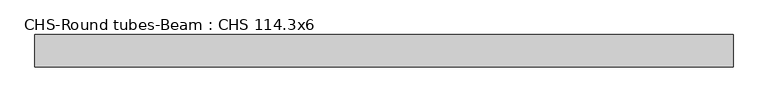
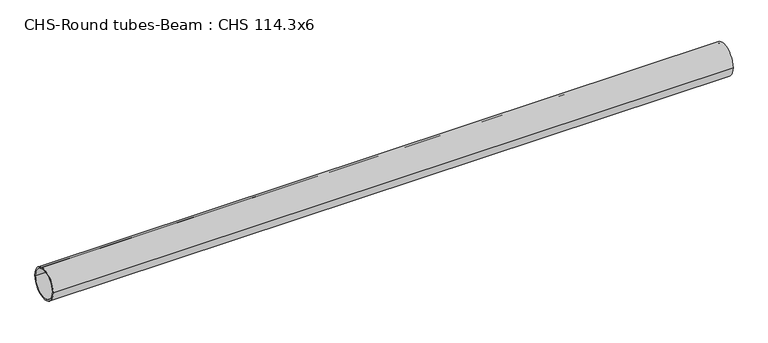
"""IFC4 building model written with IfcOpenShell, lengths in millimetres: beam geometry, CHS-Round tubes-Beam : CHS 114.3x6."""

from ifc_helpers import new_model, si_unit, point, frame, origin, origin_2d, place, context, project, spatial, circle_curve, trimmed, segment, composite_curve, outline, extrude, source, transform, mapped, element, save


def chs_round_tubes_beam_chs_114_3x6_a9621f5e(model_context):
    return source(origin(), model_context, "Body", "SweptSolid", [
        extrude(outline(composite_curve([segment(trimmed(circle_curve(origin_2d(), 57.15), [point((57.15, 0.0))], [point((-57.15, 0.0))], False, "CARTESIAN"), True, "CONTINUOUS"), segment(trimmed(circle_curve(origin_2d(), 57.15), [point((-57.15, 0.0))], [point((57.15, 0.0))], False, "CARTESIAN"), True, "CONTINUOUS")], self_intersect=False), holes=[composite_curve([segment(trimmed(circle_curve(origin_2d(), 51.15), [point((51.15, 0.0))], [point((-51.15, 0.0))], True, "CARTESIAN"), True, "CONTINUOUS"), segment(trimmed(circle_curve(origin_2d(), 51.15), [point((-51.15, 0.0))], [point((51.15, 0.0))], True, "CARTESIAN"), True, "CONTINUOUS")], self_intersect=False)]), frame((-1186.9507615, 0.0, 0.0), z_axis=(1.0, 0.0, 0.0), x_axis=(0.0, 1.0, 0.0)), (0.0, 0.0, 1.0), 2479.2397205),
    ])


if __name__ == "__main__":
    model = new_model("IFC4")
    model_context = context("Model", 3, world=origin())
    ifc_project = project(units=[si_unit("LENGTHUNIT", "METRE", prefix="MILLI")], contexts=[model_context])
    site = spatial("IfcSite", under=ifc_project)
    building = spatial("IfcBuilding", under=site)
    placement = place(None, origin())
    chs_round_tubes_beam_chs_114_3x6_shape = chs_round_tubes_beam_chs_114_3x6_a9621f5e(model_context)
    element("IfcBeam", 1, ObjectType="CHS-Round tubes-Beam : CHS 114.3x6", at=placement, inside=building, context=model_context, shape_type="MappedRepresentation", body=[
        mapped(chs_round_tubes_beam_chs_114_3x6_shape, transform((0.0, 0.0, 0.0), x_axis=(1.0, 0.0, 0.0), y_axis=(0.0, 1.0, 0.0), z_axis=(0.0, 0.0, 1.0))),
    ])
    save(model, "model.ifc")
